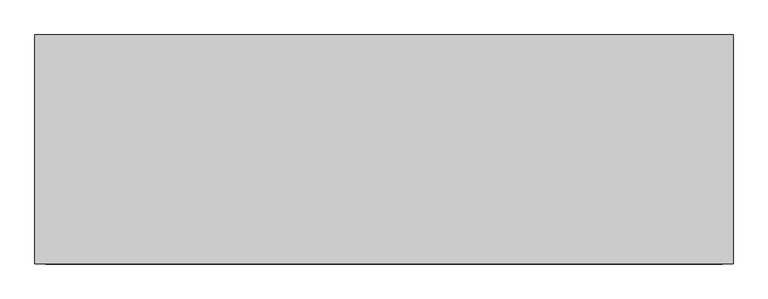
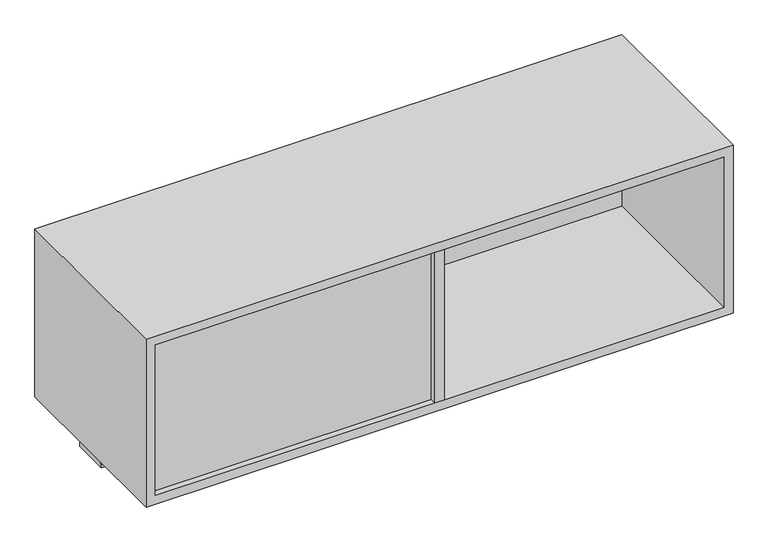
"""IFC4 building model written with IfcOpenShell, lengths in millimetres: furniture geometry."""

from ifc_helpers import new_model, si_unit, point, frame, frame_2d, origin, place, context, project, spatial, polyline, circle_curve, trimmed, segment, composite_curve, outline, extrude, source, transform, mapped, element, save


def furniture_48a3d0c3(model_context):
    return source(origin(), model_context, "Body", "SweptSolid", [
        extrude(outline(polyline([(162.052, -241.2273724), (142.748, -241.2273724), (142.748, 158.8226276), (162.052, 158.8226276), (162.052, -241.2273724)])), frame((0.0, 0.0, 1179.957), z_axis=(0.0, 0.0, 1.0), x_axis=(1.0, 0.0, 0.0)), (0.0, 0.0, 1.0), 330.5048),
        extrude(outline(composite_curve([segment(polyline([(-80.3183724, 1150.366), (-80.3183724, 1156.716)]), True, "CONTINUOUS"), segment(trimmed(circle_curve(frame_2d((-77.1433724, 1156.716)), 3.175), [point((-80.3183724, 1156.716))], [point((-77.1433724, 1159.891))], False, "CARTESIAN"), True, "CONTINUOUS"), segment(polyline([(-77.1433724, 1159.891), (-5.2613724, 1159.891)]), True, "CONTINUOUS"), segment(trimmed(circle_curve(frame_2d((-5.2613724, 1156.716)), 3.175), [point((-5.2613724, 1159.891))], [point((-2.0863724, 1156.716))], False, "CARTESIAN"), True, "CONTINUOUS"), segment(polyline([(-2.0863724, 1156.716), (-2.0863724, 1150.366), (-80.3183724, 1150.366)]), True, "CONTINUOUS")], self_intersect=False)), frame((-457.2, 0.0, 0.0), z_axis=(1.0, 0.0, 0.0), x_axis=(0.0, 1.0, 0.0)), (0.0, 0.0, 1.0), 1219.2),
        extrude(outline(polyline([(142.748, -208.5832924), (142.748, -227.8872924), (-437.896, -227.8872924), (-437.896, -208.5832924), (142.748, -208.5832924)])), frame((0.0, 0.0, 1179.957), z_axis=(0.0, 0.0, 1.0), x_axis=(1.0, 0.0, 0.0)), (0.0, 0.0, 1.0), 330.5048),
        extrude(outline(polyline([(742.696, 145.5282676), (742.696, 126.2242676), (162.052, 126.2242676), (162.052, 145.5282676), (742.696, 145.5282676)])), frame((0.0, 0.0, 1179.957), z_axis=(0.0, 0.0, 1.0), x_axis=(1.0, 0.0, 0.0)), (0.0, 0.0, 1.0), 330.5048),
        extrude(outline(polyline([(1529.7658, -457.2), (1160.653, -457.2), (1160.653, 762.0), (1529.7658, 762.0), (1529.7658, -457.2)]), holes=[polyline([(1510.4618, -437.896), (1510.4618, 742.696), (1179.957, 742.696), (1179.957, -437.896), (1510.4618, -437.896)])]), frame((0.0, -241.2273724, 0.0), z_axis=(0.0, 1.0, 0.0), x_axis=(0.0, 0.0, 1.0)), (0.0, 0.0, 1.0), 400.05),
        extrude(outline(polyline([(162.052, -241.2273724), (142.748, -241.2273724), (142.748, 158.8226276), (162.052, 158.8226276), (162.052, -241.2273724)])), frame((0.0, 0.0, 1179.957), z_axis=(0.0, 0.0, 1.0), x_axis=(1.0, 0.0, 0.0)), (0.0, 0.0, 1.0), 330.5048),
    ])


if __name__ == "__main__":
    model = new_model("IFC4")
    model_context = context("Model", 3, world=origin())
    ifc_project = project(units=[si_unit("LENGTHUNIT", "METRE", prefix="MILLI")], contexts=[model_context])
    site = spatial("IfcSite", under=ifc_project)
    building = spatial("IfcBuilding", under=site)
    placement = place(None, origin())
    furniture_shape = furniture_48a3d0c3(model_context)
    element("IfcFurniture", 1, at=placement, inside=building, context=model_context, shape_type="MappedRepresentation", body=[
        mapped(furniture_shape, transform((0.0, 0.0, 0.0), x_axis=(1.0, 0.0, 0.0), y_axis=(0.0, 1.0, 0.0), z_axis=(0.0, 0.0, 1.0))),
    ])
    save(model, "model.ifc")
